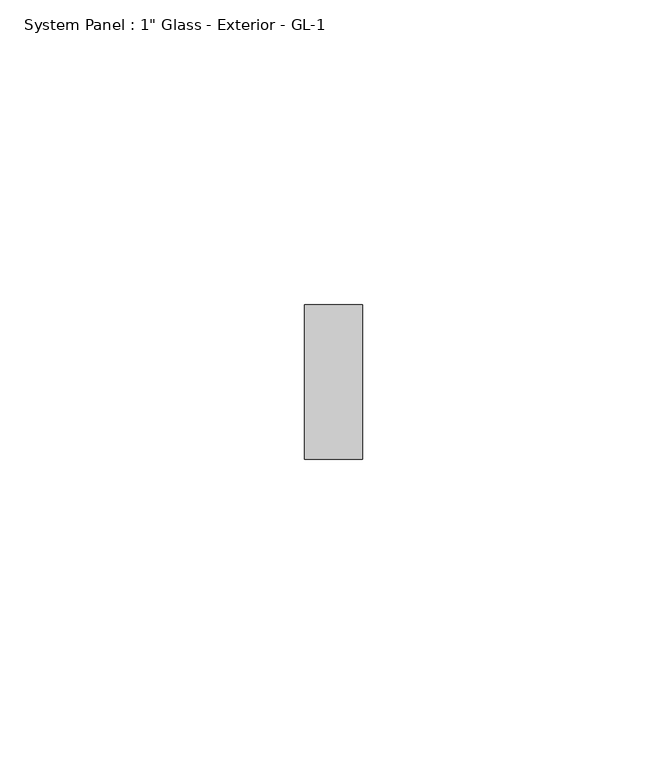
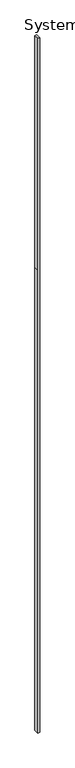
"""IFC4 building model written with IfcOpenShell, lengths in millimetres: plate geometry."""

from ifc_helpers import new_model, si_unit, frame, origin, place, context, project, spatial, polyline, outline, extrude, source, transform, mapped, element, save


def plate_ad487d62(model_context):
    return source(origin(), model_context, "Body", "SweptSolid", [
        extrude(outline(polyline([(0.0, -4.7625), (0.0, 4.7625), (2438.4, 4.7625), (3657.6, 4.7625), (3657.6, -4.7625), (2438.4, -4.7625), (0.0, -4.7625)])), frame((0.0, 12.7, 0.0), z_axis=(0.0, 1.0, 0.0), x_axis=(0.0, 0.0, 1.0)), (0.0, 0.0, 1.0), 25.4),
    ])


if __name__ == "__main__":
    model = new_model("IFC4")
    model_context = context("Model", 3, world=origin())
    ifc_project = project(units=[si_unit("LENGTHUNIT", "METRE", prefix="MILLI")], contexts=[model_context])
    site = spatial("IfcSite", under=ifc_project)
    building = spatial("IfcBuilding", under=site)
    placement = place(None, origin())
    plate_shape = plate_ad487d62(model_context)
    element("IfcPlate", 1, ObjectType="System Panel : 1\" Glass - Exterior - GL-1", at=placement, inside=building, context=model_context, shape_type="MappedRepresentation", body=[
        mapped(plate_shape, transform((0.0, 0.0, 0.0), x_axis=(1.0, 0.0, 0.0), y_axis=(0.0, 1.0, 0.0), z_axis=(0.0, 0.0, 1.0))),
    ])
    save(model, "model.ifc")
